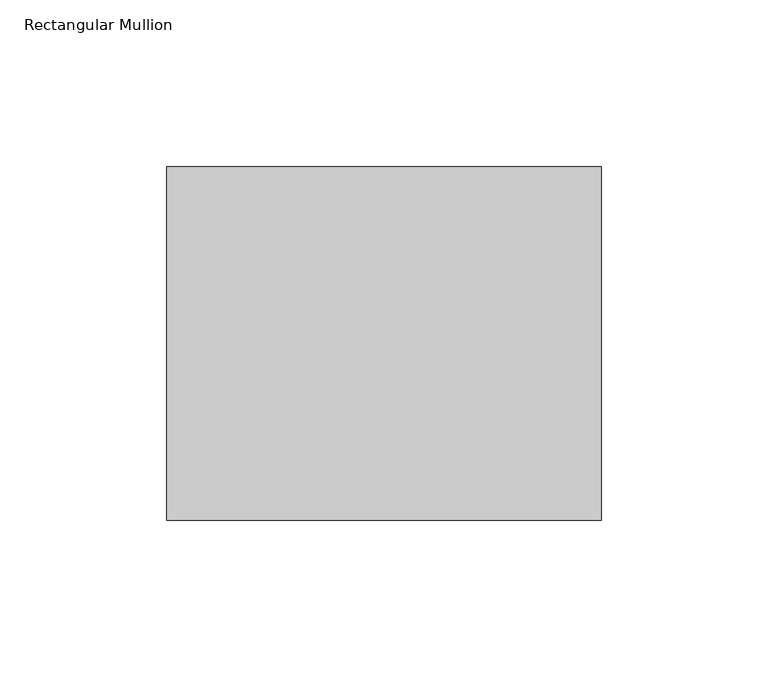
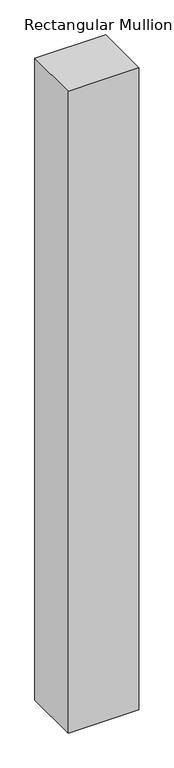
"""IFC4 building model written with IfcOpenShell, lengths in millimetres: member geometry, Rectangular Mullion."""

from ifc_helpers import new_model, si_unit, frame, origin, place, context, project, spatial, polyline, outline, extrude, source, transform, mapped, element, save


def rectangular_mullion_29488bbb(model_context):
    return source(origin(), model_context, "Body", "SweptSolid", [
        extrude(outline(polyline([(-130.0, -52.8779994), (-130.0, 52.8779994), (0.0, 52.8779994), (0.0, -52.8779994), (-130.0, -52.8779994)])), frame((0.0, 0.0, -1245.5899557), z_axis=(0.0, 0.0, 1.0), x_axis=(1.0, 0.0, 0.0)), (0.0, 0.0, 1.0), 1245.5899557),
    ])


if __name__ == "__main__":
    model = new_model("IFC4")
    model_context = context("Model", 3, world=origin())
    ifc_project = project(units=[si_unit("LENGTHUNIT", "METRE", prefix="MILLI")], contexts=[model_context])
    site = spatial("IfcSite", under=ifc_project)
    building = spatial("IfcBuilding", under=site)
    placement = place(None, origin())
    rectangular_mullion_shape = rectangular_mullion_29488bbb(model_context)
    element("IfcMember", 1, ObjectType="Rectangular Mullion", at=placement, inside=building, context=model_context, shape_type="MappedRepresentation", body=[
        mapped(rectangular_mullion_shape, transform((0.0, 0.0, 0.0), x_axis=(1.0, 0.0, 0.0), y_axis=(0.0, 1.0, 0.0), z_axis=(0.0, 0.0, 1.0))),
    ])
    save(model, "model.ifc")
